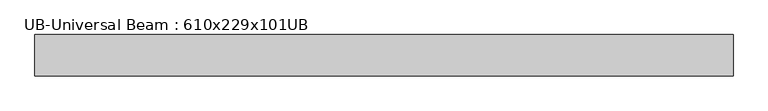
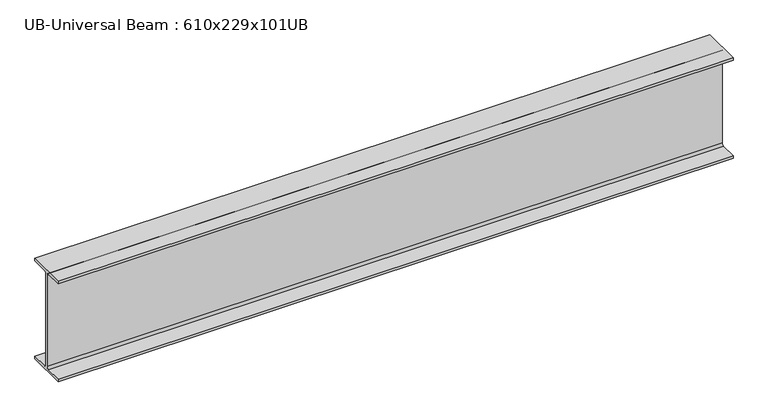
"""IFC4 building model written with IfcOpenShell, lengths in millimetres: beam geometry, UB-Universal Beam : 610x229x101UB."""

from ifc_helpers import new_model, si_unit, point, frame, frame_2d, origin, place, context, project, spatial, polyline, circle_curve, trimmed, segment, composite_curve, outline, extrude, source, transform, mapped, element, save


def ub_universal_beam_610x229x101ub_4efc091b(model_context):
    return source(origin(), model_context, "Body", "SweptSolid", [
        extrude(outline(composite_curve([segment(polyline([(113.8, -286.5), (113.8, -301.3), (-113.8, -301.3), (-113.8, -286.5), (-17.95, -286.5)]), True, "CONTINUOUS"), segment(trimmed(circle_curve(frame_2d((-17.95, -273.8)), 12.7), [point((-17.95, -286.5))], [point((-5.25, -273.8))], True, "CARTESIAN"), True, "CONTINUOUS"), segment(polyline([(-5.25, -273.8), (-5.25, 273.8)]), True, "CONTINUOUS"), segment(trimmed(circle_curve(frame_2d((-17.95, 273.8)), 12.7), [point((-5.25, 273.8))], [point((-17.95, 286.5))], True, "CARTESIAN"), True, "CONTINUOUS"), segment(polyline([(-17.95, 286.5), (-113.8, 286.5), (-113.8, 301.3), (113.8, 301.3), (113.8, 286.5), (17.95, 286.5)]), True, "CONTINUOUS"), segment(trimmed(circle_curve(frame_2d((17.95, 273.8)), 12.7), [point((17.95, 286.5))], [point((5.25, 273.8))], True, "CARTESIAN"), True, "CONTINUOUS"), segment(polyline([(5.25, 273.8), (5.25, -273.8)]), True, "CONTINUOUS"), segment(trimmed(circle_curve(frame_2d((17.95, -273.8)), 12.7), [point((5.25, -273.8))], [point((17.95, -286.5))], True, "CARTESIAN"), True, "CONTINUOUS"), segment(polyline([(17.95, -286.5), (113.8, -286.5)]), True, "CONTINUOUS")], self_intersect=False)), frame((-1918.2, 0.0, 0.0), z_axis=(1.0, 0.0, 0.0), x_axis=(0.0, 1.0, 0.0)), (0.0, 0.0, 1.0), 3836.4),
    ])


if __name__ == "__main__":
    model = new_model("IFC4")
    model_context = context("Model", 3, world=origin())
    ifc_project = project(units=[si_unit("LENGTHUNIT", "METRE", prefix="MILLI")], contexts=[model_context])
    site = spatial("IfcSite", under=ifc_project)
    building = spatial("IfcBuilding", under=site)
    placement = place(None, origin())
    ub_universal_beam_610x229x101ub_shape = ub_universal_beam_610x229x101ub_4efc091b(model_context)
    element("IfcBeam", 1, ObjectType="UB-Universal Beam : 610x229x101UB", at=placement, inside=building, context=model_context, shape_type="MappedRepresentation", body=[
        mapped(ub_universal_beam_610x229x101ub_shape, transform((0.0, 0.0, 0.0), x_axis=(1.0, 0.0, 0.0), y_axis=(0.0, 1.0, 0.0), z_axis=(0.0, 0.0, 1.0))),
    ])
    save(model, "model.ifc")
